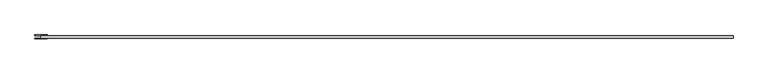
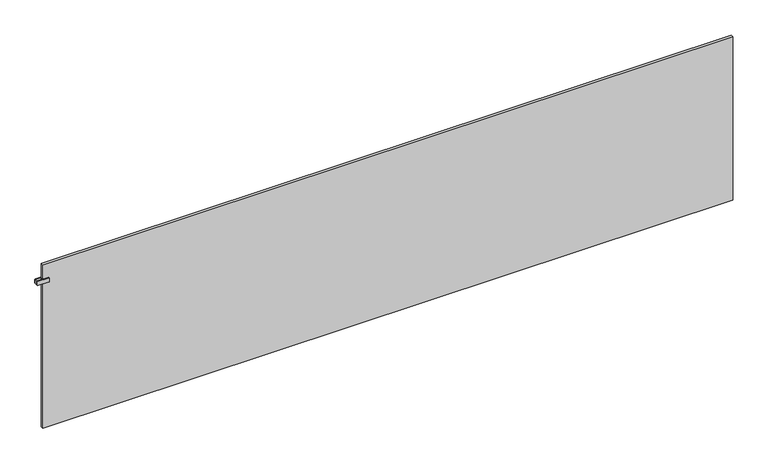
"""IFC4 building model written with IfcOpenShell, lengths in millimetres: plate geometry."""

from ifc_helpers import new_model, si_unit, point, frame, frame_2d, origin, origin_with_axes, place, context, project, spatial, polyline, circle_curve, trimmed, segment, composite_curve, outline, extrude, source, transform, mapped, element, save


def plate_d8e54f92(model_context):
    return source(origin(), model_context, "Body", "SweptSolid", [
        extrude(outline(polyline([(-1997.5, -38.75), (-1997.5, -25.25), (-1992.5, -25.25), (-1992.5, -38.75), (-1997.5, -38.75)])), frame((0.0, 0.0, 887.5), z_axis=(0.0, 0.0, 1.0), x_axis=(1.0, 0.0, 0.0)), (0.0, 0.0, 1.0), 25.0),
        extrude(outline(composite_curve([segment(trimmed(circle_curve(frame_2d((890.5, -1963.0)), 3.0), [point((887.5, -1963.0))], [point((890.5, -1960.0))], False, "CARTESIAN"), True, "CONTINUOUS"), segment(polyline([(890.5, -1960.0), (909.5, -1960.0)]), True, "CONTINUOUS"), segment(trimmed(circle_curve(frame_2d((909.5, -1963.0)), 3.0), [point((909.5, -1960.0))], [point((912.5, -1963.0))], False, "CARTESIAN"), True, "CONTINUOUS"), segment(polyline([(912.5, -1963.0), (912.5, -2027.0)]), True, "CONTINUOUS"), segment(trimmed(circle_curve(frame_2d((909.5, -2027.0)), 3.0), [point((912.5, -2027.0))], [point((909.5, -2030.0))], False, "CARTESIAN"), True, "CONTINUOUS"), segment(polyline([(909.5, -2030.0), (890.5, -2030.0)]), True, "CONTINUOUS"), segment(trimmed(circle_curve(frame_2d((890.5, -2027.0)), 3.0), [point((890.5, -2030.0))], [point((887.5, -2027.0))], False, "CARTESIAN"), True, "CONTINUOUS"), segment(polyline([(887.5, -2027.0), (887.5, -1963.0)]), True, "CONTINUOUS")], self_intersect=False)), frame((0.0, -25.25, 0.0), z_axis=(0.0, 1.0, 0.0), x_axis=(0.0, 0.0, 1.0)), (0.0, 0.0, 1.0), 5.0),
        extrude(outline(composite_curve([segment(trimmed(circle_curve(frame_2d((890.5, -1963.0)), 3.0), [point((887.5, -1963.0))], [point((890.5, -1960.0))], False, "CARTESIAN"), True, "CONTINUOUS"), segment(polyline([(890.5, -1960.0), (909.5, -1960.0)]), True, "CONTINUOUS"), segment(trimmed(circle_curve(frame_2d((909.5, -1963.0)), 3.0), [point((909.5, -1960.0))], [point((912.5, -1963.0))], False, "CARTESIAN"), True, "CONTINUOUS"), segment(polyline([(912.5, -1963.0), (912.5, -2027.0)]), True, "CONTINUOUS"), segment(trimmed(circle_curve(frame_2d((909.5, -2027.0)), 3.0), [point((912.5, -2027.0))], [point((909.5, -2030.0))], False, "CARTESIAN"), True, "CONTINUOUS"), segment(polyline([(909.5, -2030.0), (890.5, -2030.0)]), True, "CONTINUOUS"), segment(trimmed(circle_curve(frame_2d((890.5, -2027.0)), 3.0), [point((890.5, -2030.0))], [point((887.5, -2027.0))], False, "CARTESIAN"), True, "CONTINUOUS"), segment(polyline([(887.5, -2027.0), (887.5, -1963.0)]), True, "CONTINUOUS")], self_intersect=False)), frame((0.0, -43.75, 0.0), z_axis=(0.0, 1.0, 0.0), x_axis=(0.0, 0.0, 1.0)), (0.0, 0.0, 1.0), 5.0),
        extrude(outline(polyline([(1995.0, -25.25), (1995.0, -38.75), (-1995.0, -38.75), (-1995.0, -25.25), (1995.0, -25.25)])), origin_with_axes(), (0.0, 0.0, 1.0), 1000.0),
    ])


if __name__ == "__main__":
    model = new_model("IFC4")
    model_context = context("Model", 3, world=origin())
    ifc_project = project(units=[si_unit("LENGTHUNIT", "METRE", prefix="MILLI")], contexts=[model_context])
    site = spatial("IfcSite", under=ifc_project)
    building = spatial("IfcBuilding", under=site)
    placement = place(None, origin())
    plate_shape = plate_d8e54f92(model_context)
    element("IfcPlate", 1, at=placement, inside=building, context=model_context, shape_type="MappedRepresentation", body=[
        mapped(plate_shape, transform((0.0, 0.0, 0.0), x_axis=(1.0, 0.0, 0.0), y_axis=(0.0, 1.0, 0.0), z_axis=(0.0, 0.0, 1.0))),
    ])
    save(model, "model.ifc")
